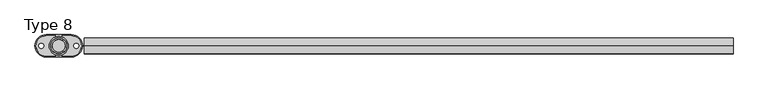
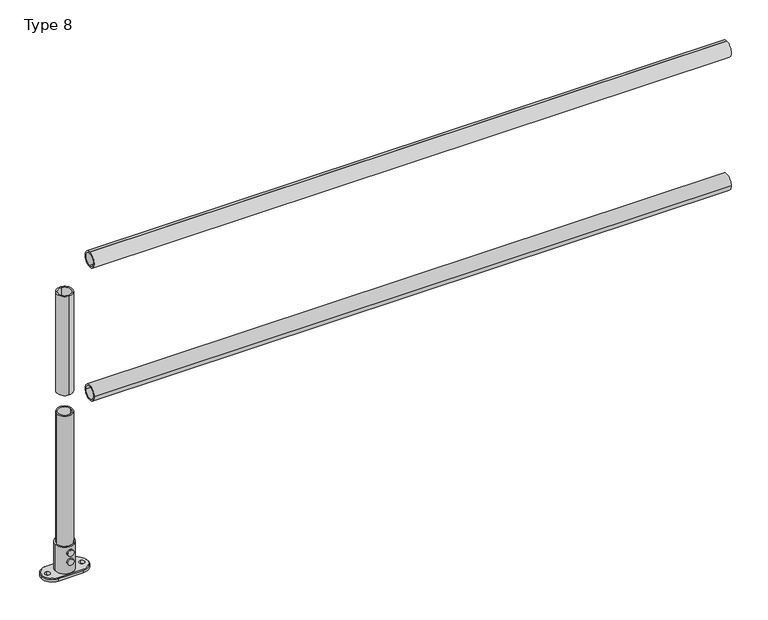
"""IFC4 building model written with IfcOpenShell, lengths in millimetres: proxy geometry, Type 8."""

from ifc_helpers import new_model, si_unit, point, frame, frame_2d, origin, origin_with_axes, origin_2d, place, context, project, spatial, polyline, circle_curve, trimmed, segment, composite_curve, outline, extrude, source, transform, mapped, element, save
from ifc_brep_helpers import plane_surface, cylinder_surface, revolved_surface, advanced_brep


def type_8_2dd32e4a(model_context):
    return source(origin(), model_context, "Body", "SolidModel", [
        extrude(outline(composite_curve([segment(trimmed(circle_curve(frame_2d((0.0, 575.0)), 25.0), [point((-25.0, 575.0))], [point((25.0, 575.0))], False, "CARTESIAN"), True, "CONTINUOUS"), segment(trimmed(circle_curve(frame_2d((0.0, 575.0)), 25.0), [point((25.0, 575.0))], [point((-25.0, 575.0))], False, "CARTESIAN"), True, "CONTINUOUS")], self_intersect=False), holes=[composite_curve([segment(trimmed(circle_curve(frame_2d((0.0, 575.0)), 20.0), [point((-20.0, 575.0))], [point((20.0, 575.0))], True, "CARTESIAN"), True, "CONTINUOUS"), segment(trimmed(circle_curve(frame_2d((0.0, 575.0)), 20.0), [point((20.0, 575.0))], [point((-20.0, 575.0))], True, "CARTESIAN"), True, "CONTINUOUS")], self_intersect=False)]), frame((80.0, 0.0, 0.0), z_axis=(1.0, 0.0, 0.0), x_axis=(0.0, 1.0, 0.0)), (0.0, 0.0, 1.0), 2040.0),
        extrude(outline(composite_curve([segment(trimmed(circle_curve(frame_2d((0.0, 1025.0)), 25.0), [point((0.0, 1050.0))], [point((0.0, 1000.0))], False, "CARTESIAN"), True, "CONTINUOUS"), segment(trimmed(circle_curve(frame_2d((0.0, 1025.0)), 25.0), [point((0.0, 1000.0))], [point((0.0, 1050.0))], False, "CARTESIAN"), True, "CONTINUOUS")], self_intersect=False), holes=[composite_curve([segment(trimmed(circle_curve(frame_2d((0.0, 1025.0)), 20.0), [point((0.0, 1045.0))], [point((0.0, 1005.0))], True, "CARTESIAN"), True, "CONTINUOUS"), segment(trimmed(circle_curve(frame_2d((0.0, 1025.0)), 20.0), [point((0.0, 1005.0))], [point((0.0, 1045.0))], True, "CARTESIAN"), True, "CONTINUOUS")], self_intersect=False)]), frame((80.0, 0.0, 0.0), z_axis=(1.0, 0.0, 0.0), x_axis=(0.0, 1.0, 0.0)), (0.0, 0.0, 1.0), 2040.0),
        extrude(outline(composite_curve([segment(trimmed(circle_curve(origin_2d(), 25.0), [point((0.0, -25.0))], [point((0.0, 25.0))], False, "CARTESIAN"), True, "CONTINUOUS"), segment(trimmed(circle_curve(origin_2d(), 25.0), [point((0.0, 25.0))], [point((0.0, -25.0))], False, "CARTESIAN"), True, "CONTINUOUS")], self_intersect=False), holes=[composite_curve([segment(trimmed(circle_curve(origin_2d(), 20.0), [point((0.0, -20.0))], [point((0.0, 20.0))], True, "CARTESIAN"), True, "CONTINUOUS"), segment(trimmed(circle_curve(origin_2d(), 20.0), [point((0.0, 20.0))], [point((0.0, -20.0))], True, "CARTESIAN"), True, "CONTINUOUS")], self_intersect=False)]), frame((0.0, 0.0, 610.0), z_axis=(0.0, 0.0, 1.0), x_axis=(1.0, 0.0, 0.0)), (0.0, 0.0, 1.0), 335.0),
        extrude(outline(composite_curve([segment(trimmed(circle_curve(origin_2d(), 25.0), [point((25.0, 0.0))], [point((-25.0, 0.0))], False, "CARTESIAN"), True, "CONTINUOUS"), segment(trimmed(circle_curve(origin_2d(), 25.0), [point((-25.0, 0.0))], [point((25.0, 0.0))], False, "CARTESIAN"), True, "CONTINUOUS")], self_intersect=False), holes=[composite_curve([segment(trimmed(circle_curve(origin_2d(), 20.0), [point((20.0, 0.0))], [point((-20.0, 0.0))], True, "CARTESIAN"), True, "CONTINUOUS"), segment(trimmed(circle_curve(origin_2d(), 20.0), [point((-20.0, 0.0))], [point((20.0, 0.0))], True, "CARTESIAN"), True, "CONTINUOUS")], self_intersect=False)]), frame((0.0, 0.0, 100.0), z_axis=(0.0, 0.0, 1.0), x_axis=(1.0, 0.0, 0.0)), (0.0, 0.0, 1.0), 440.0),
        extrude(outline(composite_curve([segment(trimmed(circle_curve(frame_2d((50.0, 0.0)), 10.0), [point((50.0, -10.0))], [point((50.0, 10.0))], False, "CARTESIAN"), True, "CONTINUOUS"), segment(trimmed(circle_curve(frame_2d((50.0, 0.0)), 10.0), [point((50.0, 10.0))], [point((50.0, -10.0))], False, "CARTESIAN"), True, "CONTINUOUS")], self_intersect=False)), frame((0.0, 30.0, 0.0), z_axis=(0.0, 1.0, 0.0), x_axis=(0.0, 0.0, 1.0)), (0.0, 0.0, 1.0), 5.0),
        extrude(outline(composite_curve([segment(trimmed(circle_curve(frame_2d((80.0, 0.0)), 10.0), [point((80.0, -10.0))], [point((80.0, 10.0))], False, "CARTESIAN"), True, "CONTINUOUS"), segment(trimmed(circle_curve(frame_2d((80.0, 0.0)), 10.0), [point((80.0, 10.0))], [point((80.0, -10.0))], False, "CARTESIAN"), True, "CONTINUOUS")], self_intersect=False)), frame((0.0, 30.0, 0.0), z_axis=(0.0, 1.0, 0.0), x_axis=(0.0, 0.0, 1.0)), (0.0, 0.0, 1.0), 5.0),
        extrude(outline(composite_curve([segment(trimmed(circle_curve(frame_2d((50.0, 0.0)), 10.0), [point((50.0, -10.0))], [point((50.0, 10.0))], False, "CARTESIAN"), True, "CONTINUOUS"), segment(trimmed(circle_curve(frame_2d((50.0, 0.0)), 10.0), [point((50.0, 10.0))], [point((50.0, -10.0))], False, "CARTESIAN"), True, "CONTINUOUS")], self_intersect=False)), frame((0.0, -35.0, 0.0), z_axis=(0.0, 1.0, 0.0), x_axis=(0.0, 0.0, 1.0)), (0.0, 0.0, 1.0), 5.0),
        extrude(outline(composite_curve([segment(trimmed(circle_curve(frame_2d((80.0, 0.0)), 10.0), [point((80.0, -10.0))], [point((80.0, 10.0))], False, "CARTESIAN"), True, "CONTINUOUS"), segment(trimmed(circle_curve(frame_2d((80.0, 0.0)), 10.0), [point((80.0, 10.0))], [point((80.0, -10.0))], False, "CARTESIAN"), True, "CONTINUOUS")], self_intersect=False)), frame((0.0, -35.0, 0.0), z_axis=(0.0, 1.0, 0.0), x_axis=(0.0, 0.0, 1.0)), (0.0, 0.0, 1.0), 5.0),
        advanced_brep(
        [(-30.0, 0.0, 100.0), (30.0, 0.0, 100.0), (-25.0, 0.0, 100.0), (25.0, 0.0, 100.0), (40.0, 35.0, 0.0), (75.0, 0.0, 0.0), (40.0, -35.0, 0.0), (-40.0, -35.0, 0.0), (-75.0, 0.0, 0.0), (-40.0, 35.0, 0.0), (-55.0, 8.0, 0.0), (-55.0, -8.0, 0.0), (55.0, 8.0, 0.0), (55.0, -8.0, 0.0), (-30.0, 0.0, 10.0), (30.0, 0.0, 10.0), (-25.0, 0.0, 10.0), (25.0, 0.0, 10.0), (40.0, -32.0, 10.0), (72.0, 0.0, 10.0), (40.0, 32.0, 10.0), (-40.0, 32.0, 10.0), (-72.0, 0.0, 10.0), (-40.0, -32.0, 10.0), (-55.0, -8.0, 10.0), (-55.0, 8.0, 10.0), (55.0, -8.0, 10.0), (55.0, 8.0, 10.0), (-40.0, 35.0, 7.0), (40.0, 35.0, 7.0), (-75.0, 0.0, 7.0), (-40.0, -35.0, 7.0), (40.0, -35.0, 7.0), (75.0, 0.0, 7.0)],
        [
            (0, 1, circle_curve(frame((0.0, 0.0, 100.0), z_axis=(0.0, 0.0, 1.0), x_axis=(1.0, 0.0, 0.0)), 30.0)),
            (1, 0, circle_curve(frame((0.0, 0.0, 100.0), z_axis=(0.0, 0.0, 1.0), x_axis=(1.0, 0.0, 0.0)), 30.0)),
            (2, 3, circle_curve(frame((0.0, 0.0, 100.0), z_axis=(0.0, 0.0, -1.0), x_axis=(1.0, 0.0, 0.0)), 25.0)),
            (3, 2, circle_curve(frame((0.0, 0.0, 100.0), z_axis=(0.0, 0.0, -1.0), x_axis=(1.0, 0.0, 0.0)), 25.0)),
            (4, 5, circle_curve(frame((40.0, 0.0, 0.0), z_axis=(0.0, 0.0, -1.0), x_axis=(1.0, 0.0, 0.0)), 35.0)),
            (5, 6, circle_curve(frame((40.0, 0.0, 0.0), z_axis=(0.0, 0.0, -1.0), x_axis=(1.0, 0.0, 0.0)), 35.0)),
            (6, 7),
            (7, 8, circle_curve(frame((-40.0, 0.0, 0.0), z_axis=(0.0, 0.0, -1.0), x_axis=(1.0, 0.0, 0.0)), 35.0)),
            (8, 9, circle_curve(frame((-40.0, 0.0, 0.0), z_axis=(0.0, 0.0, -1.0), x_axis=(1.0, 0.0, 0.0)), 35.0)),
            (9, 4),
            (10, 11, circle_curve(frame((-55.0, 0.0, 0.0), z_axis=(0.0, 0.0, 1.0), x_axis=(0.0, 1.0, 0.0)), 8.0)),
            (11, 10, circle_curve(frame((-55.0, 0.0, 0.0), z_axis=(0.0, 0.0, 1.0), x_axis=(0.0, 1.0, 0.0)), 8.0)),
            (12, 13, circle_curve(frame((55.0, 0.0, 0.0), z_axis=(0.0, 0.0, 1.0), x_axis=(0.0, 1.0, 0.0)), 8.0)),
            (13, 12, circle_curve(frame((55.0, 0.0, 0.0), z_axis=(0.0, 0.0, 1.0), x_axis=(0.0, 1.0, 0.0)), 8.0)),
            (0, 14),
            (14, 15, circle_curve(frame((0.0, 0.0, 10.0), z_axis=(0.0, 0.0, 1.0), x_axis=(1.0, 0.0, 0.0)), 30.0)),
            (15, 1),
            (15, 14, circle_curve(frame((0.0, 0.0, 10.0), z_axis=(0.0, 0.0, 1.0), x_axis=(1.0, 0.0, 0.0)), 30.0)),
            (2, 16),
            (16, 17, circle_curve(frame((0.0, 0.0, 10.0), z_axis=(0.0, 0.0, -1.0), x_axis=(1.0, 0.0, 0.0)), 25.0)),
            (17, 3),
            (17, 16, circle_curve(frame((0.0, 0.0, 10.0), z_axis=(0.0, 0.0, -1.0), x_axis=(1.0, 0.0, 0.0)), 25.0)),
            (18, 19, circle_curve(frame((40.0, 0.0, 10.0), z_axis=(0.0, 0.0, 1.0), x_axis=(0.0, -1.0, 0.0)), 32.0)),
            (19, 20, circle_curve(frame((40.0, 0.0, 10.0), z_axis=(0.0, 0.0, 1.0), x_axis=(1.0, 0.0, 0.0)), 32.0)),
            (20, 21),
            (21, 22, circle_curve(frame((-40.0, 0.0, 10.0), z_axis=(0.0, 0.0, 1.0), x_axis=(0.0, 1.0, 0.0)), 32.0)),
            (22, 23, circle_curve(frame((-40.0, 0.0, 10.0), z_axis=(0.0, 0.0, 1.0), x_axis=(-1.0, 0.0, 0.0)), 32.0)),
            (23, 18),
            (24, 25, circle_curve(frame((-55.0, 0.0, 10.0), z_axis=(0.0, 0.0, -1.0), x_axis=(0.0, 1.0, 0.0)), 8.0)),
            (25, 24, circle_curve(frame((-55.0, 0.0, 10.0), z_axis=(0.0, 0.0, -1.0), x_axis=(0.0, 1.0, 0.0)), 8.0)),
            (26, 27, circle_curve(frame((55.0, 0.0, 10.0), z_axis=(0.0, 0.0, -1.0), x_axis=(0.0, 1.0, 0.0)), 8.0)),
            (27, 26, circle_curve(frame((55.0, 0.0, 10.0), z_axis=(0.0, 0.0, -1.0), x_axis=(0.0, 1.0, 0.0)), 8.0)),
            (9, 28),
            (28, 29),
            (29, 4),
            (8, 30),
            (30, 28, circle_curve(frame((-40.0, 0.0, 7.0), z_axis=(0.0, 0.0, -1.0), x_axis=(1.0, 0.0, 0.0)), 35.0)),
            (7, 31),
            (31, 30, circle_curve(frame((-40.0, 0.0, 7.0), z_axis=(0.0, 0.0, -1.0), x_axis=(1.0, 0.0, 0.0)), 35.0)),
            (6, 32),
            (32, 31),
            (5, 33),
            (33, 32, circle_curve(frame((40.0, 0.0, 7.0), z_axis=(0.0, 0.0, -1.0), x_axis=(1.0, 0.0, 0.0)), 35.0)),
            (29, 33, circle_curve(frame((40.0, 0.0, 7.0), z_axis=(0.0, 0.0, -1.0), x_axis=(1.0, 0.0, 0.0)), 35.0)),
            (10, 25),
            (24, 11),
            (12, 27),
            (26, 13),
            (33, 19),
            (18, 32),
            (29, 20),
            (28, 21),
            (30, 22),
            (31, 23),
        ],
        [
            plane_surface(frame((30.0, 0.0, 100.0), z_axis=(0.0, 0.0, 1.0), x_axis=(0.0, 1.0, 0.0))),
            plane_surface(frame((30.0, 0.0, 0.0), z_axis=(0.0, 0.0, -1.0), x_axis=(0.0, -1.0, 0.0))),
            cylinder_surface(origin_with_axes(), 30.0),
            revolved_surface(polyline([(25.0, 0.0, 10.0), (25.0, 0.0, 100.0)]), (0.0, 0.0, 0.0), (0.0, 0.0, -1.0)),
            plane_surface(frame((-92.6957996, 35.0, 10.0), z_axis=(0.0, 0.0, 1.0), x_axis=(-1.0, 0.0, 0.0))),
            plane_surface(frame((40.0, 35.0, 10.0), z_axis=(0.0, 1.0, 0.0), x_axis=(0.0, 0.0, -1.0))),
            cylinder_surface(frame((-40.0, 0.0, 0.0), z_axis=(0.0, 0.0, 1.0), x_axis=(1.0, 0.0, 0.0)), 35.0),
            plane_surface(frame((-40.0, -35.0, 10.0), z_axis=(0.0, -1.0, 0.0), x_axis=(0.0, 0.0, -1.0))),
            cylinder_surface(frame((40.0, 0.0, 0.0), z_axis=(0.0, 0.0, 1.0), x_axis=(1.0, 0.0, 0.0)), 35.0),
            revolved_surface(polyline([(-55.0, 8.0, 0.0), (-55.0, 8.0, 10.0)]), (-55.0, 0.0, 10.0), (0.0, 0.0, -1.0)),
            revolved_surface(polyline([(55.0, 8.0, 0.0), (55.0, 8.0, 10.0)]), (55.0, 0.0, 0.0), (0.0, 0.0, -1.0)),
            revolved_surface(polyline([(40.0, -35.0, 7.0), (40.0, -32.0, 10.0)]), (40.0, 0.0, 10.0), (0.0, 0.0, 1.0)),
            revolved_surface(polyline([(75.0, 0.0, 7.0), (72.0, 0.0, 10.0)]), (40.0, 0.0, 10.0), (0.0, 0.0, 1.0)),
            plane_surface(frame((40.0, 32.0, 10.0), z_axis=(0.0, 0.707106781186547, 0.707106781186548), x_axis=(-1.0, 0.0, 0.0))),
            revolved_surface(polyline([(-40.0, 35.0, 7.0), (-40.0, 32.0, 10.0)]), (-40.0, 0.0, 10.0), (0.0, 0.0, 1.0)),
            revolved_surface(polyline([(-75.0, 0.0, 7.0), (-72.0, 0.0, 10.0)]), (-40.0, 0.0, 10.0), (0.0, 0.0, 1.0)),
            plane_surface(frame((-40.0, -32.0, 10.0), z_axis=(0.0, -0.707106781186547, 0.707106781186548), x_axis=(1.0, 0.0, 0.0))),
        ],
        [
            (0, [[1, 2], [3, 4]]),
            (1, [[5, 6, 7, 8, 9, 10], [11, 12], [13, 14]]),
            (2, [[-1, 15, 16, 17]]),
            (2, [[-2, -17, 18, -15]]),
            (3, [[-3, 19, 20, 21]]),
            (3, [[-4, -21, 22, -19]]),
            (4, [[-20, -22]]),
            (4, [[23, 24, 25, 26, 27, 28], [-16, -18], [29, 30], [31, 32]]),
            (5, [[-10, 33, 34, 35]]),
            (6, [[-9, 36, 37, -33]]),
            (6, [[-8, 38, 39, -36]]),
            (7, [[-7, 40, 41, -38]]),
            (8, [[-6, 42, 43, -40]]),
            (8, [[-5, -35, 44, -42]]),
            (9, [[45, -29, 46, -11]]),
            (9, [[-45, -12, -46, -30]]),
            (10, [[47, -31, 48, -13]]),
            (10, [[-47, -14, -48, -32]]),
            (11, [[49, -23, 50, -43]]),
            (12, [[-49, -44, 51, -24]]),
            (13, [[-51, -34, 52, -25]]),
            (14, [[-52, -37, 53, -26]]),
            (15, [[-53, -39, 54, -27]]),
            (16, [[-50, -28, -54, -41]]),
        ],
    ),
    ])


if __name__ == "__main__":
    model = new_model("IFC4")
    model_context = context("Model", 3, world=origin())
    ifc_project = project(units=[si_unit("LENGTHUNIT", "METRE", prefix="MILLI")], contexts=[model_context])
    site = spatial("IfcSite", under=ifc_project)
    building = spatial("IfcBuilding", under=site)
    placement = place(None, origin())
    type_8_shape = type_8_2dd32e4a(model_context)
    element("IfcBuildingElementProxy", 1, Name="Type 8", ObjectType="Type 8", at=placement, inside=building, context=model_context, shape_type="MappedRepresentation", body=[
        mapped(type_8_shape, transform((0.0, 0.0, 0.0), x_axis=(1.0, 0.0, 0.0), y_axis=(0.0, 1.0, 0.0), z_axis=(0.0, 0.0, 1.0))),
    ])
    save(model, "model.ifc")
